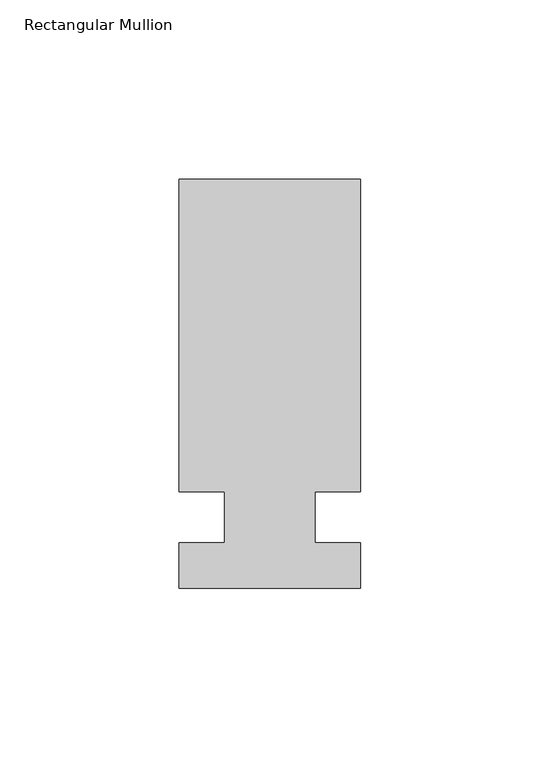
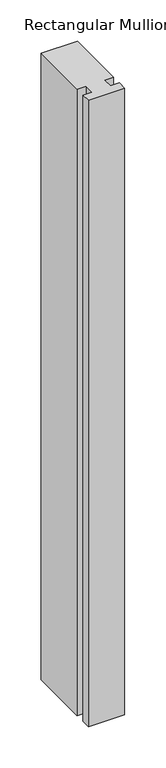
"""IFC4 building model written with IfcOpenShell, lengths in millimetres: member geometry, Rectangular Mullion."""

from ifc_helpers import new_model, si_unit, frame, origin, place, context, project, spatial, polyline, outline, extrude, source, transform, mapped, element, save


def rectangular_mullion_29a17d4d(model_context):
    return source(origin(), model_context, "Body", "SweptSolid", [
        extrude(outline(polyline([(29.7344027, 94.45625), (29.7344027, 7.14375), (17.0326322, 7.14375), (17.0326322, -7.14375), (29.7344027, -7.14375), (29.7344027, -19.84375), (-21.0655973, -19.84375), (-21.0655973, -7.14375), (-8.3655973, -7.14375), (-8.3655973, 7.14375), (-21.0655973, 7.14375), (-21.0655973, 94.45625), (29.7344027, 94.45625)])), frame((0.0, 0.0, -925.9405973), z_axis=(0.0, 0.0, 1.0), x_axis=(1.0, 0.0, 0.0)), (0.0, 0.0, 1.0), 925.9405973),
    ])


if __name__ == "__main__":
    model = new_model("IFC4")
    model_context = context("Model", 3, world=origin())
    ifc_project = project(units=[si_unit("LENGTHUNIT", "METRE", prefix="MILLI")], contexts=[model_context])
    site = spatial("IfcSite", under=ifc_project)
    building = spatial("IfcBuilding", under=site)
    placement = place(None, origin())
    rectangular_mullion_shape = rectangular_mullion_29a17d4d(model_context)
    element("IfcMember", 1, ObjectType="Rectangular Mullion", at=placement, inside=building, context=model_context, shape_type="MappedRepresentation", body=[
        mapped(rectangular_mullion_shape, transform((0.0, 0.0, 0.0), x_axis=(1.0, 0.0, 0.0), y_axis=(0.0, 1.0, 0.0), z_axis=(0.0, 0.0, 1.0))),
    ])
    save(model, "model.ifc")
